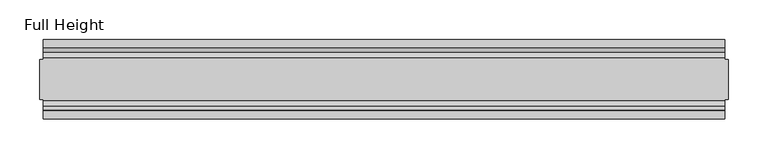
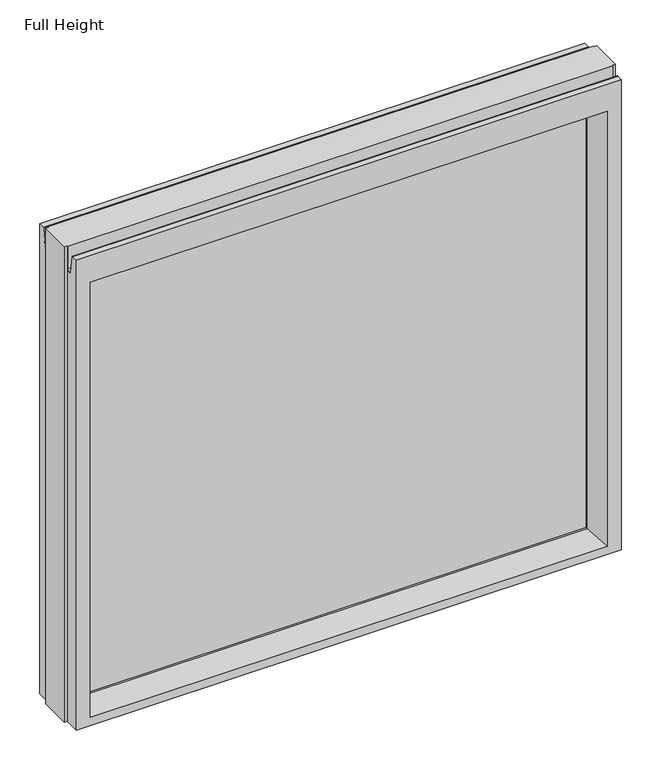
"""IFC4 building model written with IfcOpenShell, lengths in millimetres: plate geometry, Full Height."""

from ifc_helpers import new_model, si_unit, frame, origin, place, context, project, spatial, polyline, circle_curve, outline, extrude, source, transform, mapped, element, save
from ifc_brep_helpers import plane_surface, cylinder_surface, revolved_surface, advanced_brep


def full_height_9b27e11f(model_context):
    return source(origin(), model_context, "Body", "SolidModel", [
        advanced_brep(
        [(428.0324342, 50.0, 0.0), (428.0324342, 25.146, 0.0), (432.6044342, 25.146, 0.0), (432.6044342, -25.146, 0.0), (428.0324342, -25.146, 0.0), (428.0324342, -50.0, 0.0), (-428.0324342, -50.0, 0.0), (-428.0324342, -25.146, 0.0), (-432.6044342, -25.146, 0.0), (-432.6044342, 25.146, 0.0), (-428.0324342, 25.146, 0.0), (-428.0324342, 50.0, 0.0), (432.6044342, 25.146, 789.94), (428.0324342, 25.146, 789.94), (428.0324342, 26.67, 789.94), (-428.0324342, 26.67, 789.94), (-428.0324342, 25.146, 789.94), (-432.6044342, 25.146, 789.94), (-432.6044342, -25.146, 789.94), (-428.0324342, -25.146, 789.94), (-428.0324342, -26.67, 789.94), (428.0324342, -26.67, 789.94), (428.0324342, -25.146, 789.94), (432.6044342, -25.146, 789.94), (-428.0324342, 26.67, 752.729), (428.0324342, 26.67, 752.729), (-428.0324342, -50.0, 780.796), (-428.0324342, -39.9371387, 780.796), (-428.0324342, -39.1867152, 780.1663199), (-428.0324342, -34.2321175, 752.0674004), (-428.0324342, -26.67, 752.729), (-428.0324342, 34.2321175, 752.0674004), (-428.0324342, 39.1867152, 780.1663199), (-428.0324342, 39.9371387, 780.796), (-428.0324342, 50.0, 780.796), (428.0324342, -50.0, 780.796), (-405.9344342, -50.0, 736.219), (405.9344342, -50.0, 736.219), (405.9344342, -50.0, 13.9954), (-405.9344342, -50.0, 13.9954), (428.0324342, 50.0, 780.796), (-405.9344342, 50.0, 13.9954), (405.9344342, 50.0, 13.9954), (405.9344342, 50.0, 736.219), (-405.9344342, 50.0, 736.219), (-399.9654342, -6.1006519, 18.3896), (-399.9654342, -6.1006519, 730.25), (-399.9654342, 6.1006519, 730.25), (-399.9654342, 6.1006519, 18.3896), (399.9654342, 6.1006519, 18.3896), (399.9654342, 6.1006519, 730.25), (399.9654342, -6.1006519, 730.25), (399.9654342, -6.1006519, 18.3896), (428.0324342, 39.9371387, 780.796), (428.0324342, 39.1867152, 780.1663199), (428.0324342, 34.2321175, 752.0674004), (428.0324342, -26.67, 752.729), (428.0324342, -34.2321175, 752.0674004), (428.0324342, -39.1867152, 780.1663199), (428.0324342, -39.9371387, 780.796)],
        [
            (0, 1),
            (1, 2),
            (2, 3),
            (3, 4),
            (4, 5),
            (5, 6),
            (6, 7),
            (7, 8),
            (8, 9),
            (9, 10),
            (10, 11),
            (11, 0),
            (12, 13),
            (13, 14),
            (14, 15),
            (15, 16),
            (16, 17),
            (17, 18),
            (18, 19),
            (19, 20),
            (20, 21),
            (21, 22),
            (22, 23),
            (23, 12),
            (1, 13),
            (12, 2),
            (22, 4),
            (3, 23),
            (17, 9),
            (8, 18),
            (7, 19),
            (16, 10),
            (24, 15),
            (14, 25),
            (25, 24),
            (6, 26),
            (26, 27),
            (27, 28, circle_curve(frame((-428.0324342, -39.9371387, 780.034), z_axis=(-1.0, 0.0, 0.0), x_axis=(0.0, -1.0, 0.0)), 0.762)),
            (28, 29),
            (29, 30, circle_curve(frame((-428.0324342, -30.48, 752.729), z_axis=(1.0, 0.0, 0.0), x_axis=(0.0, -1.0, 0.0)), 3.81)),
            (30, 20),
            (24, 31, circle_curve(frame((-428.0324342, 30.48, 752.729), z_axis=(1.0, 0.0, 0.0), x_axis=(0.0, -1.0, 0.0)), 3.81)),
            (31, 32),
            (32, 33, circle_curve(frame((-428.0324342, 39.9371387, 780.034), z_axis=(-1.0, 0.0, 0.0), x_axis=(0.0, -1.0, 0.0)), 0.762)),
            (33, 34),
            (34, 11),
            (5, 35),
            (35, 26),
            (36, 37),
            (37, 38),
            (38, 39),
            (39, 36),
            (34, 40),
            (40, 0),
            (41, 42),
            (42, 43),
            (43, 44),
            (44, 41),
            (39, 45),
            (45, 46),
            (46, 36),
            (44, 47),
            (47, 48),
            (48, 41),
            (42, 49),
            (49, 50),
            (50, 43),
            (51, 52),
            (52, 38),
            (37, 51),
            (40, 53),
            (53, 54, circle_curve(frame((428.0324342, 39.9371387, 780.034), z_axis=(1.0, 0.0, 0.0), x_axis=(0.0, -1.0, 0.0)), 0.762)),
            (54, 55),
            (55, 25, circle_curve(frame((428.0324342, 30.48, 752.729), z_axis=(-1.0, 0.0, 0.0), x_axis=(0.0, -1.0, 0.0)), 3.81)),
            (21, 56),
            (56, 57, circle_curve(frame((428.0324342, -30.48, 752.729), z_axis=(-1.0, 0.0, 0.0), x_axis=(0.0, -1.0, 0.0)), 3.81)),
            (57, 58),
            (58, 59, circle_curve(frame((428.0324342, -39.9371387, 780.034), z_axis=(1.0, 0.0, 0.0), x_axis=(0.0, -1.0, 0.0)), 0.762)),
            (59, 35),
            (33, 53),
            (59, 27),
            (30, 56),
            (46, 51),
            (31, 55),
            (54, 32),
            (58, 28),
            (57, 29),
            (52, 45),
            (48, 49),
            (50, 47),
            (46, 47),
            (50, 51),
            (52, 49),
            (48, 45),
        ],
        [
            plane_surface(frame((-428.0324342, -50.0, 0.0), z_axis=(0.0, 0.0, -1.0), x_axis=(0.0, 1.0, 0.0))),
            plane_surface(frame((428.0324342, 25.146, 789.94), z_axis=(0.0, 0.0, 1.0), x_axis=(-1.0, 0.0, 0.0))),
            plane_surface(frame((432.6044342, 25.146, 789.94), z_axis=(0.0, 1.0, 0.0), x_axis=(0.0, 0.0, -1.0))),
            plane_surface(frame((428.0324342, -25.146, 789.94), z_axis=(0.0, -1.0, 0.0), x_axis=(0.0, 0.0, -1.0))),
            plane_surface(frame((432.6044342, -25.146, 789.94), z_axis=(1.0, 0.0, 0.0), x_axis=(0.0, 0.0, -1.0))),
            plane_surface(frame((-432.6044342, 25.146, 789.94), z_axis=(-1.0, 0.0, 0.0), x_axis=(0.0, 0.0, -1.0))),
            plane_surface(frame((-432.6044342, -25.146, 789.94), z_axis=(0.0, -1.0, 0.0), x_axis=(0.0, 0.0, -1.0))),
            plane_surface(frame((-428.0324342, 25.146, 789.94), z_axis=(0.0, 1.0, 0.0), x_axis=(0.0, 0.0, -1.0))),
            plane_surface(frame((-428.0324342, 26.67, 789.94), z_axis=(0.0, 1.0, 0.0), x_axis=(1.0, 0.0, 0.0))),
            plane_surface(frame((-428.0324342, 50.0, 748.0046), z_axis=(-1.0, 0.0, 0.0), x_axis=(0.0, 0.0, -1.0))),
            plane_surface(frame((-428.0324342, -50.0, 748.0046), z_axis=(0.0, -1.0, 0.0), x_axis=(0.0, 0.0, -1.0))),
            plane_surface(frame((-405.9344342, 50.0, 748.0046), z_axis=(0.0, 1.0, 0.0), x_axis=(0.0, 0.0, -1.0))),
            plane_surface(frame((-405.9344342, -50.0, 748.0046), z_axis=(0.990882294353361, -0.13473039277393772, 0.0), x_axis=(0.0, 0.0, -1.0))),
            plane_surface(frame((-399.9654342, 6.1006519, 748.0046), z_axis=(0.990882294353361, 0.13473039277393709, 0.0), x_axis=(0.0, 0.0, -1.0))),
            plane_surface(frame((405.9344342, 50.0, 748.0046), z_axis=(-0.9908822943533626, 0.134730392773925, 0.0), x_axis=(0.0, 0.0, -1.0))),
            plane_surface(frame((399.9654342, -6.1006519, 748.0046), z_axis=(-0.9908822943533585, -0.13473039277395565, 0.0), x_axis=(0.0, 0.0, -1.0))),
            plane_surface(frame((428.0324342, -50.0, 748.0046), z_axis=(1.0, 0.0, 0.0), x_axis=(0.0, 0.0, -1.0))),
            plane_surface(frame((-428.0324342, 39.9371387, 780.796), z_axis=(0.0, 0.0, 1.0), x_axis=(1.0, 0.0, 0.0))),
            plane_surface(frame((-428.0324342, -50.0, 780.796), z_axis=(0.0, 0.0, 1.0), x_axis=(1.0, 0.0, 0.0))),
            plane_surface(frame((-428.0324342, -26.67, 752.729), z_axis=(0.0, -1.0, 0.0), x_axis=(1.0, 0.0, 0.0))),
            plane_surface(frame((-428.0324342, -6.1006519, 730.25), z_axis=(0.0, -0.13473039277393184, -0.9908822943533617), x_axis=(1.0, 0.0, 0.0))),
            plane_surface(frame((-428.0324342, 34.2321175, 752.0674004), z_axis=(0.0, -0.9848077530122084, 0.17364817766692905), x_axis=(1.0, 0.0, 0.0))),
            revolved_surface(polyline([(428.0324342, 26.67, 752.729), (-428.0324342, 26.67, 752.729)]), (428.0324342, 30.48, 752.729), (1.0, 0.0, 0.0)),
            cylinder_surface(frame((428.0324342, 39.9371387, 780.034), z_axis=(-1.0, 0.0, 0.0), x_axis=(0.0, -1.0, 0.0)), 0.762),
            cylinder_surface(frame((428.0324342, -39.9371387, 780.034), z_axis=(-1.0, 0.0, 0.0), x_axis=(0.0, -1.0, 0.0)), 0.762),
            plane_surface(frame((-428.0324342, -39.1867152, 780.1663199), z_axis=(0.0, 0.9848077530122005, 0.17364817766697363), x_axis=(1.0, 0.0, 0.0))),
            revolved_surface(polyline([(428.0324342, -34.29, 752.729), (-428.0324342, -34.29, 752.729)]), (428.0324342, -30.48, 752.729), (1.0, 0.0, 0.0)),
            plane_surface(frame((-428.0324342, -50.0, 13.9954), z_axis=(0.0, -0.09959943661133767, 0.9950276138010965), x_axis=(1.0, 0.0, 0.0))),
            plane_surface(frame((-428.0324342, 6.1006519, 18.3896), z_axis=(0.0, 0.0995994366113773, 0.9950276138010926), x_axis=(1.0, 0.0, 0.0))),
            plane_surface(frame((-428.0324342, 50.0, 736.219), z_axis=(0.0, 0.13473039277391685, -0.9908822943533637), x_axis=(1.0, 0.0, 0.0))),
            plane_surface(frame((-428.0324342, 6.1006519, 730.25), z_axis=(0.0, 0.0, -1.0), x_axis=(1.0, 0.0, 0.0))),
            plane_surface(frame((-428.0324342, -6.1006519, 18.3896), z_axis=(0.0, 0.0, 1.0), x_axis=(1.0, 0.0, 0.0))),
            plane_surface(frame((-399.9654342, -6.1006519, 748.0046), z_axis=(1.0, 0.0, 0.0), x_axis=(0.0, 0.0, -1.0))),
            plane_surface(frame((399.9654342, 6.1006519, 748.0046), z_axis=(-1.0, 0.0, 0.0), x_axis=(0.0, 0.0, -1.0))),
        ],
        [
            (0, [[1, 2, 3, 4, 5, 6, 7, 8, 9, 10, 11, 12]]),
            (1, [[13, 14, 15, 16, 17, 18, 19, 20, 21, 22, 23, 24]]),
            (2, [[25, -13, 26, -2]]),
            (3, [[-23, 27, -4, 28]]),
            (4, [[-24, -28, -3, -26]]),
            (5, [[-18, 29, -9, 30]]),
            (6, [[31, -19, -30, -8]]),
            (7, [[-17, 32, -10, -29]]),
            (8, [[33, -15, 34, 35]]),
            (9, [[-7, 36, 37, 38, 39, 40, 41, -20, -31]]),
            (9, [[-11, -32, -16, -33, 42, 43, 44, 45, 46]]),
            (10, [[-36, -6, 47, 48], [49, 50, 51, 52]]),
            (11, [[-12, -46, 53, 54], [55, 56, 57, 58]]),
            (12, [[-52, 59, 60, 61]]),
            (13, [[-58, 62, 63, 64]]),
            (14, [[-56, 65, 66, 67]]),
            (15, [[68, 69, -50, 70]]),
            (16, [[-1, -54, 71, 72, 73, 74, -34, -14, -25]]),
            (16, [[-47, -5, -27, -22, 75, 76, 77, 78, 79]]),
            (17, [[-45, 80, -71, -53]]),
            (18, [[-37, -48, -79, 81]]),
            (19, [[-41, 82, -75, -21]]),
            (20, [[-49, -61, 83, -70]]),
            (21, [[-43, 84, -73, 85]]),
            (22, [[-42, -35, -74, -84]]),
            (23, [[-44, -85, -72, -80]]),
            (24, [[-38, -81, -78, 86]]),
            (25, [[-39, -86, -77, 87]]),
            (26, [[-40, -87, -76, -82]]),
            (27, [[-51, -69, 88, -59]]),
            (28, [[-55, -64, 89, -65]]),
            (29, [[-57, -67, 90, -62]]),
            (30, [[-83, 91, -90, 92]]),
            (31, [[-88, 93, -89, 94]]),
            (32, [[-63, -91, -60, -94]]),
            (33, [[-68, -92, -66, -93]]),
        ],
    ),
        extrude(outline(polyline([(-399.9654342, 3.175), (399.9654342, 3.175), (399.9654342, -3.175), (-399.9654342, -3.175), (-399.9654342, 3.175)])), frame((0.0, 0.0, 18.3896), z_axis=(0.0, 0.0, 1.0), x_axis=(1.0, 0.0, 0.0)), (0.0, 0.0, 1.0), 711.8604),
    ])


if __name__ == "__main__":
    model = new_model("IFC4")
    model_context = context("Model", 3, world=origin())
    ifc_project = project(units=[si_unit("LENGTHUNIT", "METRE", prefix="MILLI")], contexts=[model_context])
    site = spatial("IfcSite", under=ifc_project)
    building = spatial("IfcBuilding", under=site)
    placement = place(None, origin())
    full_height_shape = full_height_9b27e11f(model_context)
    element("IfcPlate", 1, ObjectType="Full Height", at=placement, inside=building, context=model_context, shape_type="MappedRepresentation", body=[
        mapped(full_height_shape, transform((0.0, 0.0, 0.0), x_axis=(1.0, 0.0, 0.0), y_axis=(0.0, 1.0, 0.0), z_axis=(0.0, 0.0, 1.0))),
    ])
    save(model, "model.ifc")
